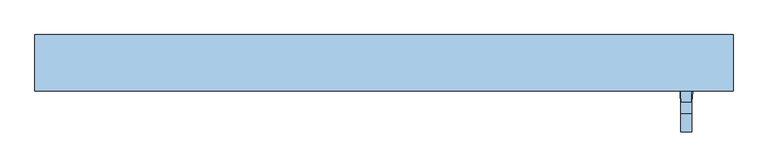
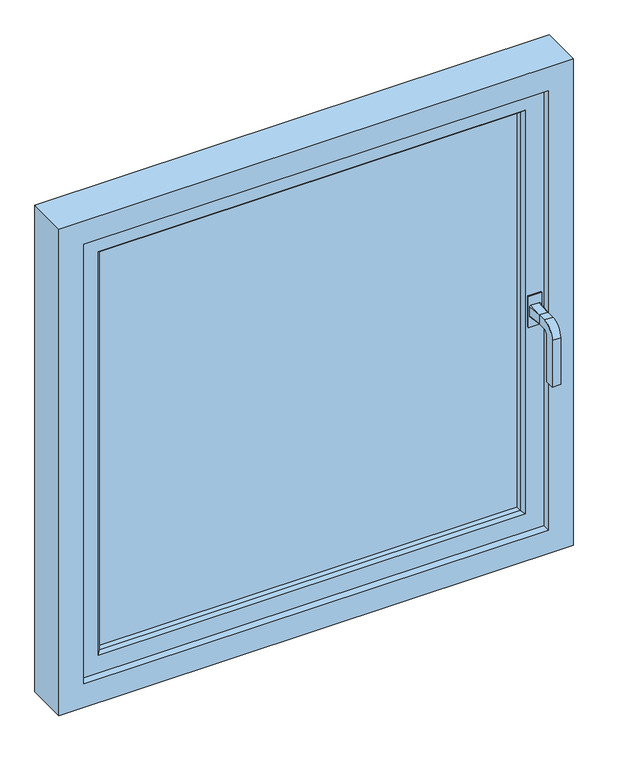
"""IFC4 building model written with IfcOpenShell, lengths in millimetres: window geometry."""

from ifc_helpers import new_model, si_unit, frame, origin, place, context, project, spatial, polyline, circle_curve, outline, extrude, faceted_brep, source, transform, mapped, element, save
from ifc_brep_helpers import plane_surface, cylinder_surface, revolved_surface, spline_surface, advanced_brep


def window_b217350a(model_context):
    return source(origin(), model_context, "Body", "SolidModel", [
        advanced_brep(
        [(649.8419317, -68.4960746, 561.9315276), (618.5919317, -68.4960746, 561.9315276), (618.5919317, -68.4960746, 636.9315276), (649.8419317, -68.4960746, 636.9315276), (643.8994871, -71.2503138, 586.2301066), (643.75, -104.4042949, 589.0), (624.75, -104.4042949, 589.0), (624.6005129, -71.2503138, 586.2301066), (646.5198934, -71.2503138, 588.8505129), (646.5198934, -71.2503138, 611.1494871), (643.75, -104.4042949, 611.0), (643.8994871, -71.2503138, 613.7698934), (624.6005129, -71.2503138, 613.7698934), (624.75, -104.4042949, 611.0), (621.9801066, -71.2503138, 611.1494871), (621.9801066, -71.2503138, 588.8505129), (643.75, -124.4042949, 611.0), (643.75, -155.4042949, 580.0), (643.75, -155.4042949, 467.0), (643.75, -133.4042949, 467.0), (643.75, -133.4042949, 580.0), (643.75, -124.4042949, 589.0), (624.75, -124.4042949, 589.0), (624.75, -133.4042949, 580.0), (624.75, -133.4042949, 467.0), (624.75, -155.4042949, 467.0), (624.75, -155.4042949, 580.0), (624.75, -124.4042949, 611.0), (649.8419317, -71.2503138, 561.9315276), (649.8419317, -71.2503138, 636.9315276), (618.5919317, -71.2503138, 636.9315276), (618.5919317, -71.2503138, 561.9315276)],
        [
            (0, 1),
            (1, 2),
            (2, 3),
            (3, 0),
            (4, 5),
            (5, 6),
            (6, 7),
            (7, 4),
            (4, 8, circle_curve(frame((643.8994871, -71.2503138, 588.8505129), z_axis=(0.0, -1.0, 0.0), x_axis=(0.0, 0.0, -1.0)), 2.6204063)),
            (8, 5),
            (8, 9),
            (9, 10),
            (10, 5),
            (9, 11, circle_curve(frame((643.8994871, -71.2503138, 611.1494871), z_axis=(0.0, -1.0, 0.0), x_axis=(0.0, 0.0, 1.0)), 2.6204063)),
            (11, 10),
            (11, 12),
            (12, 13),
            (13, 10),
            (12, 14, circle_curve(frame((624.6005129, -71.2503138, 611.1494871), z_axis=(0.0, -1.0, 0.0), x_axis=(0.0, 0.0, 1.0)), 2.6204063)),
            (14, 13),
            (14, 15),
            (15, 6),
            (6, 13),
            (15, 7, circle_curve(frame((624.6005129, -71.2503138, 588.8505129), z_axis=(0.0, -1.0, 0.0), x_axis=(0.0, 0.0, -1.0)), 2.6204063)),
            (10, 16),
            (16, 17, circle_curve(frame((643.75, -124.4042949, 580.0), z_axis=(1.0, 0.0, 0.0), x_axis=(0.0, 0.0, 1.0)), 31.0)),
            (17, 18),
            (18, 19),
            (19, 20),
            (20, 21, circle_curve(frame((643.75, -124.4042949, 580.0), z_axis=(-1.0, 0.0, 0.0), x_axis=(0.0, 0.0, 1.0)), 9.0)),
            (21, 5),
            (21, 22),
            (22, 6),
            (22, 23, circle_curve(frame((624.75, -124.4042949, 580.0), z_axis=(1.0, 0.0, 0.0), x_axis=(0.0, 0.0, 1.0)), 9.0)),
            (23, 24),
            (24, 25),
            (25, 26),
            (26, 27, circle_curve(frame((624.75, -124.4042949, 580.0), z_axis=(-1.0, 0.0, 0.0), x_axis=(0.0, 0.0, 1.0)), 31.0)),
            (27, 13),
            (27, 16),
            (20, 23),
            (26, 17),
            (18, 25),
            (24, 19),
            (28, 29),
            (29, 30),
            (30, 31),
            (31, 28),
            (28, 0),
            (3, 29),
            (2, 30),
            (1, 31),
        ],
        [
            plane_surface(frame((634.25, -68.4960746, 600.0), z_axis=(0.0, 1.0, 0.0), x_axis=(-1.0, 0.0, 0.0))),
            plane_surface(frame((634.25, -68.4960746, 586.0), z_axis=(0.0, -0.08325627065884864, -0.9965281698958542), x_axis=(1.0, 0.0, 0.0))),
            spline_surface(2, 1, [[(643.9119057, -68.4960746, 586.0), (643.75, -104.4042949, 589.0)], [(646.75, -68.4960746, 586.0), (643.75, -104.4042949, 589.0)], [(646.75, -68.4960746, 588.8380943), (643.75, -104.4042949, 589.0)]], [3, 3], [2, 2], [0.0, 1.0], [0.0, 1.0], weights=[[1.0, 1.0], [0.7071067811865476, 0.7071067811865476], [1.0, 1.0]]),
            plane_surface(frame((646.75, -68.4960746, 600.0), z_axis=(0.9965281698958541, -0.08325627065885037, 0.0), x_axis=(0.0, 0.0, 1.0))),
            spline_surface(2, 1, [[(646.75, -68.4960746, 611.1619057), (643.75, -104.4042949, 611.0)], [(646.75, -68.4960746, 614.0), (643.75, -104.4042949, 611.0)], [(643.9119057, -68.4960746, 614.0), (643.75, -104.4042949, 611.0)]], [3, 3], [2, 2], [0.0, 1.0], [0.0, 1.0], weights=[[1.0, 1.0], [0.7071067811865476, 0.7071067811865476], [1.0, 1.0]]),
            plane_surface(frame((634.25, -68.4960746, 614.0), z_axis=(0.0, -0.08325627065885209, 0.996528169895854), x_axis=(-1.0, 0.0, 0.0))),
            spline_surface(2, 1, [[(624.5880943, -68.4960746, 614.0), (624.75, -104.4042949, 611.0)], [(621.75, -68.4960746, 614.0), (624.75, -104.4042949, 611.0)], [(621.75, -68.4960746, 611.1619057), (624.75, -104.4042949, 611.0)]], [3, 3], [2, 2], [0.0, 1.0], [0.0, 1.0], weights=[[1.0, 1.0], [0.7071067811865476, 0.7071067811865476], [1.0, 1.0]]),
            plane_surface(frame((621.75, -68.4960746, 600.0), z_axis=(-0.9965281698958541, -0.08325627065885037, 0.0), x_axis=(0.0, 0.0, -1.0))),
            spline_surface(2, 1, [[(621.75, -68.4960746, 588.8380943), (624.75, -104.4042949, 589.0)], [(621.75, -68.4960746, 586.0), (624.75, -104.4042949, 589.0)], [(624.5880943, -68.4960746, 586.0), (624.75, -104.4042949, 589.0)]], [3, 3], [2, 2], [0.0, 1.0], [0.0, 1.0], weights=[[1.0, 1.0], [0.7071067811865476, 0.7071067811865476], [1.0, 1.0]]),
            plane_surface(frame((643.75, -104.4042949, 611.0), z_axis=(1.0, 0.0, 0.0), x_axis=(0.0, -1.0, 0.0))),
            plane_surface(frame((643.75, -104.4042949, 589.0), z_axis=(0.0, 0.0, -1.0), x_axis=(0.0, -1.0, 0.0))),
            plane_surface(frame((624.75, -104.4042949, 589.0), z_axis=(-1.0, 0.0, 0.0), x_axis=(0.0, -1.0, 0.0))),
            plane_surface(frame((624.75, -104.4042949, 611.0), z_axis=(0.0, 0.0, 1.0), x_axis=(0.0, -1.0, 0.0))),
            revolved_surface(polyline([(643.75, -124.4042949, 589.0), (624.75, -124.4042949, 589.0)]), (634.25, -124.4042949, 580.0), (1.0, 0.0, 0.0)),
            cylinder_surface(frame((634.25, -124.4042949, 580.0), z_axis=(1.0, 0.0, 0.0), x_axis=(0.0, 0.0, 1.0)), 31.0),
            plane_surface(frame((634.25, -144.4042949, 467.0), z_axis=(0.0, 0.0, -1.0), x_axis=(-1.0, 0.0, 0.0))),
            plane_surface(frame((643.75, -133.4042949, 580.0), z_axis=(0.0, 1.0, 0.0), x_axis=(0.0, 0.0, -1.0))),
            plane_surface(frame((624.75, -155.4042949, 580.0), z_axis=(0.0, -1.0, 0.0), x_axis=(0.0, 0.0, -1.0))),
            plane_surface(frame((649.8419317, -71.2503138, 631.9315276), z_axis=(0.0, -1.0, 0.0), x_axis=(0.0, 0.0, 1.0))),
            plane_surface(frame((649.8419317, -71.2503138, 561.9315276), z_axis=(1.0, 0.0, 0.0), x_axis=(0.0, 1.0, 0.0))),
            plane_surface(frame((649.8419317, -71.2503138, 636.9315276), z_axis=(0.0, 0.0, 1.0), x_axis=(0.0, 1.0, 0.0))),
            plane_surface(frame((618.5919317, -71.2503138, 636.9315276), z_axis=(-1.0, 0.0, 0.0), x_axis=(0.0, 1.0, 0.0))),
            plane_surface(frame((618.5919317, -71.2503138, 561.9315276), z_axis=(0.0, 0.0, -1.0), x_axis=(0.0, 1.0, 0.0))),
        ],
        [
            (0, [[1, 2, 3, 4]]),
            (1, [[5, 6, 7, 8]]),
            (2, [[-5, 9, 10]]),
            (3, [[-10, 11, 12, 13]]),
            (4, [[-12, 14, 15]]),
            (5, [[-15, 16, 17, 18]]),
            (6, [[-17, 19, 20]]),
            (7, [[-20, 21, 22, 23]]),
            (8, [[-7, -22, 24]]),
            (9, [[25, 26, 27, 28, 29, 30, 31, -13]]),
            (10, [[-31, 32, 33, -6]]),
            (11, [[-33, 34, 35, 36, 37, 38, 39, -23]]),
            (12, [[-25, -18, -39, 40]]),
            (13, [[-30, 41, -34, -32]]),
            (14, [[-26, -40, -38, 42]]),
            (15, [[-28, 43, -36, 44]]),
            (16, [[-29, -44, -35, -41]]),
            (17, [[-27, -42, -37, -43]]),
            (18, [[45, 46, 47, 48], [-8, -24, -21, -19, -16, -14, -11, -9]]),
            (19, [[-45, 49, -4, 50]]),
            (20, [[-46, -50, -3, 51]]),
            (21, [[-47, -51, -2, 52]]),
            (22, [[-48, -52, -1, -49]]),
        ],
    ),
        extrude(outline(polyline([(625.0474603, 0.0), (625.0474603, -48.0), (-375.0310173, -48.0), (-375.0310173, 0.0), (625.0474603, 0.0)])), frame((0.0, 0.0, 96.1037243), z_axis=(0.0, 0.0, 1.0), x_axis=(1.0, 0.0, 0.0)), (0.0, 0.0, 1.0), 1007.7925514),
        faceted_brep([(713.0, 8.5039254, 1188.0), (713.0, -86.4960746, 1188.0), (713.0, -86.4960746, 12.0), (713.0, 8.5039254, 12.0), (628.8962757, -48.0, 1103.8962757), (628.8962757, 0.0, 1103.8962757), (628.8962757, 0.0, 96.1037243), (628.8962757, -48.0, 96.1037243), (605.8962757, -61.4960746, 1080.8962757), (605.8962757, -48.0, 1080.8962757), (605.8962757, -48.0, 119.1037243), (605.8962757, -61.4960746, 119.1037243), (612.8962757, -68.4960746, 1087.8962757), (612.8962757, -68.4960746, 112.1037243), (656.0, -86.4960746, 1131.0), (656.0, -68.4960746, 1131.0), (656.0, -68.4960746, 69.0), (656.0, -86.4960746, 69.0), (-463.0, -86.4960746, 12.0), (-463.0, 8.5039254, 12.0), (-378.8962757, 0.0, 96.1037243), (-378.8962757, -48.0, 96.1037243), (-355.8962757, -48.0, 119.1037243), (-355.8962757, -61.4960746, 119.1037243), (-362.8962757, -68.4960746, 112.1037243), (-406.0, -68.4960746, 69.0), (-406.0, -86.4960746, 69.0), (-463.0, -86.4960746, 1188.0), (-463.0, 8.5039254, 1188.0), (-378.8962757, 0.0, 1103.8962757), (-378.8962757, -48.0, 1103.8962757), (-355.8962757, -48.0, 1080.8962757), (-355.8962757, -61.4960746, 1080.8962757), (-362.8962757, -68.4960746, 1087.8962757), (-406.0, -68.4960746, 1131.0), (-406.0, -86.4960746, 1131.0), (670.8962757, 8.5039254, 54.1037243), (-420.8962757, 8.5039254, 54.1037243), (-420.8962757, 8.5039254, 1145.8962757), (670.8962757, 8.5039254, 1145.8962757), (605.0597895, 8.5039254, 1080.0597895), (-355.0597895, 8.5039254, 1080.0597895), (-355.0597895, 8.5039254, 119.9402105), (605.0597895, 8.5039254, 119.9402105), (601.5373477, 0.0, 1076.5373477), (601.5373477, 0.0, 123.4626523), (-351.5373477, 0.0, 123.4626523), (-351.5373477, 0.0, 1076.5373477), (674.0, 3.9306387, 1149.0), (674.0, 8.5039254, 1149.0), (674.0, 8.5039254, 51.0), (674.0, 3.9306387, 51.0), (670.8962757, 3.9306387, 1145.8962757), (670.8962757, 3.9306387, 54.1037243), (-424.0, 8.5039254, 51.0), (-424.0, 3.9306387, 51.0), (-420.8962757, 3.9306387, 54.1037243), (-424.0, 8.5039254, 1149.0), (-424.0, 3.9306387, 1149.0), (-420.8962757, 3.9306387, 1145.8962757)], [[[0, 1, 2, 3]], [[4, 5, 6, 7]], [[8, 9, 10, 11]], [[12, 8, 11, 13]], [[14, 15, 16, 17]], [[3, 2, 18, 19]], [[7, 6, 20, 21]], [[11, 10, 22, 23]], [[13, 11, 23, 24]], [[17, 16, 25, 26]], [[19, 18, 27, 28]], [[21, 20, 29, 30]], [[23, 22, 31, 32]], [[24, 23, 32, 33]], [[26, 25, 34, 35]], [[28, 27, 1, 0]], [[36, 37, 38, 39], [40, 41, 42, 43]], [[30, 29, 5, 4]], [[7, 21, 30, 4], [9, 31, 22, 10]], [[32, 31, 9, 8]], [[33, 32, 8, 12]], [[15, 34, 25, 16], [13, 24, 33, 12]], [[35, 34, 15, 14]], [[1, 27, 18, 2], [17, 26, 35, 14]], [[44, 40, 43, 45]], [[45, 43, 42, 46]], [[46, 42, 41, 47]], [[47, 41, 40, 44]], [[5, 29, 20, 6], [45, 46, 47, 44]], [[48, 49, 50, 51]], [[39, 52, 53, 36]], [[51, 50, 54, 55]], [[36, 53, 56, 37]], [[55, 54, 57, 58]], [[37, 56, 59, 38]], [[3, 19, 28, 0], [49, 57, 54, 50]], [[58, 57, 49, 48]], [[51, 55, 58, 48], [52, 59, 56, 53]], [[38, 59, 52, 39]]]),
    ])


if __name__ == "__main__":
    model = new_model("IFC4")
    model_context = context("Model", 3, world=origin())
    ifc_project = project(units=[si_unit("LENGTHUNIT", "METRE", prefix="MILLI")], contexts=[model_context])
    site = spatial("IfcSite", under=ifc_project)
    building = spatial("IfcBuilding", under=site)
    placement = place(None, origin())
    window_shape = window_b217350a(model_context)
    element("IfcWindow", 1, at=placement, inside=building, context=model_context, shape_type="MappedRepresentation", body=[
        mapped(window_shape, transform((0.0, 0.0, 0.0), x_axis=(1.0, 0.0, 0.0), y_axis=(0.0, 1.0, 0.0), z_axis=(0.0, 0.0, 1.0))),
    ])
    save(model, "model.ifc")
